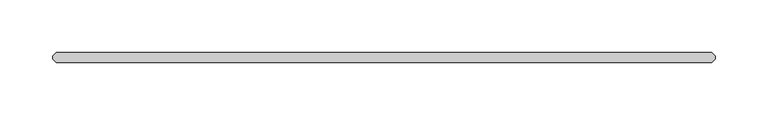
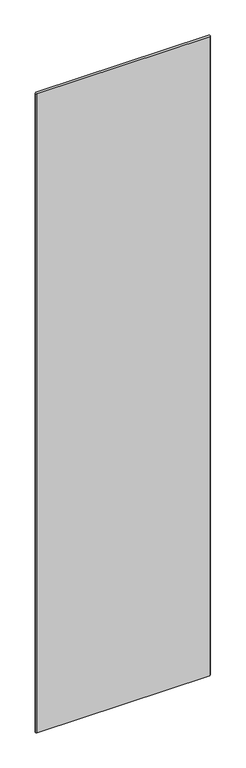
"""IFC4 building model written with IfcOpenShell, lengths in millimetres: plate geometry."""

import ifcopenshell
import ifcopenshell.guid

model = None  # the IFC model being written
_history = None  # IfcOwnerHistory: only IFC2X3 demands one
_inside = {}  # id of a spatial element -> (the spatial element, [elements in it])
_under = {}  # id of a project, library or spatial element -> (it, [spatial elements below it])
_declared = {}  # id of a project -> (the project, [libraries it declares])
_typed = {}  # id of a type object -> (the type object, [elements of that type])
_made_of = {}  # id of a material, layer set ... -> (it, [elements and type objects made of it])


def new_model(schema):
    """Start an empty IFC model of exactly this schema.

    Asked for "IFC4X3", IfcOpenShell would pick the latest addendum, in which some entities
    have other attributes; the version numbers below select the first issue.
    IFC2X3 requires an IfcOwnerHistory on every rooted entity: one is made here for all.
    """
    global model, _history
    if schema == "IFC4X3":
        model = ifcopenshell.file(schema_version=(4, 3, 0, 0))
    else:
        model = ifcopenshell.file(schema=schema)
    _inside.clear()
    _under.clear()
    _declared.clear()
    _typed.clear()
    _made_of.clear()
    _history = None
    if model.schema == "IFC2X3":
        org = make("IfcOrganization", Name="unknown")
        user = make(
            "IfcPersonAndOrganization",
            ThePerson=make("IfcPerson", FamilyName="unknown"),
            TheOrganization=org,
        )
        app = make(
            "IfcApplication",
            ApplicationDeveloper=org,
            Version="unknown",
            ApplicationFullName="unknown",
            ApplicationIdentifier="unknown",
        )
        _history = make(
            "IfcOwnerHistory",
            OwningUser=user,
            OwningApplication=app,
            ChangeAction="ADDED",
            CreationDate=0,
        )
    return model


def make(cls, **values):
    """One entity of the class cls with the attributes given. An attribute that is None is left unset."""
    return model.create_entity(
        cls, **{name: value for name, value in values.items() if value is not None}
    )


def rooted(cls, **values):
    """An entity with a GlobalId (a new one), such as an element, a storey or a relation."""
    return make(cls, GlobalId=ifcopenshell.guid.new(), OwnerHistory=_history, **values)


def si_unit(unit_type, name, prefix=None):
    """IfcSIUnit, for example si_unit("LENGTHUNIT", "METRE", prefix="MILLI")."""
    return make("IfcSIUnit", UnitType=unit_type, Prefix=prefix, Name=name)


def assignment(units):
    """IfcUnitAssignment: the units of a project."""
    return None if units is None else make("IfcUnitAssignment", Units=units)


def point(xyz):
    """IfcCartesianPoint."""
    return None if xyz is None else make("IfcCartesianPoint", Coordinates=xyz)


def direction(xyz):
    """IfcDirection."""
    return None if xyz is None else make("IfcDirection", DirectionRatios=xyz)


def frame(location, z_axis=None, x_axis=None):
    """IfcAxis2Placement3D, a coordinate frame: its origin and axes. An axis left out is left unset."""
    return make(
        "IfcAxis2Placement3D",
        Location=point(location),
        Axis=direction(z_axis),
        RefDirection=direction(x_axis),
    )


def origin():
    """The frame at (0, 0, 0) with its axes left unset."""
    return frame((0.0, 0.0, 0.0))


def origin_with_axes():
    """The frame at (0, 0, 0) with the z axis (0, 0, 1) and the x axis (1, 0, 0) written out."""
    return frame((0.0, 0.0, 0.0), z_axis=(0.0, 0.0, 1.0), x_axis=(1.0, 0.0, 0.0))


def place(relative_to, where):
    """IfcLocalPlacement: puts the frame where relative to a parent placement (None: the world)."""
    return make(
        "IfcLocalPlacement", PlacementRelTo=relative_to, RelativePlacement=where
    )


def context(
    kind, dimensions, precision=None, world=None, true_north=None, identifier=None
):
    """IfcGeometricRepresentationContext, for example the 3D "Model" context."""
    return make(
        "IfcGeometricRepresentationContext",
        ContextIdentifier=identifier,
        ContextType=kind,
        CoordinateSpaceDimension=dimensions,
        Precision=precision,
        WorldCoordinateSystem=world,
        TrueNorth=true_north,
    )


def project(units=None, contexts=None):
    """IfcProject with its units and contexts."""
    return rooted(
        "IfcProject",
        Name="project",
        RepresentationContexts=contexts,
        UnitsInContext=assignment(units),
    )


def spatial(cls, under=None, at=None, **own):
    """A site, building, storey or space (cls), placed at a placement, below another one or the project."""
    s = rooted(cls, ObjectPlacement=at, **own)
    if under is not None:
        _under.setdefault(under.id(), (under, []))[1].append(s)
    return s


def polyline(points):
    """IfcPolyline through the points."""
    return make("IfcPolyline", Points=[point(p) for p in points])


def outline(outer, holes=None, kind="AREA"):
    """IfcArbitraryClosedProfileDef: a profile drawn as a closed curve; with holes, ...WithVoids."""
    if holes is None:
        return make("IfcArbitraryClosedProfileDef", ProfileType=kind, OuterCurve=outer)
    return make(
        "IfcArbitraryProfileDefWithVoids",
        ProfileType=kind,
        OuterCurve=outer,
        InnerCurves=holes,
    )


def extrude(swept, where, along, depth):
    """IfcExtrudedAreaSolid: the profile swept, set in the frame where, extruded along a direction by depth."""
    return make(
        "IfcExtrudedAreaSolid",
        SweptArea=swept,
        Position=where,
        ExtrudedDirection=direction(along),
        Depth=depth,
    )


def shape(context_of_items, identifier, shape_type, items):
    """IfcShapeRepresentation: the items that make up one representation, for example the "Body"."""
    return make(
        "IfcShapeRepresentation",
        ContextOfItems=context_of_items,
        RepresentationIdentifier=identifier,
        RepresentationType=shape_type,
        Items=items,
    )


def source(mapping_origin, context_of_items, identifier, shape_type, items):
    """IfcRepresentationMap: a shape defined once, which mapped items show again and again."""
    return make(
        "IfcRepresentationMap",
        MappingOrigin=mapping_origin,
        MappedRepresentation=shape(context_of_items, identifier, shape_type, items),
    )


def transform(
    local_origin,
    x_axis=None,
    y_axis=None,
    z_axis=None,
    scale=None,
    scale2=None,
    scale3=None,
    uniform=True,
):
    """IfcCartesianTransformationOperator3D, or its non-uniform kind. x_axis, y_axis, z_axis: its Axis1, 2, 3."""
    if uniform:
        return make(
            "IfcCartesianTransformationOperator3D",
            Axis1=direction(x_axis),
            Axis2=direction(y_axis),
            LocalOrigin=point(local_origin),
            Scale=scale,
            Axis3=direction(z_axis),
        )
    return make(
        "IfcCartesianTransformationOperator3DnonUniform",
        Axis1=direction(x_axis),
        Axis2=direction(y_axis),
        LocalOrigin=point(local_origin),
        Scale=scale,
        Axis3=direction(z_axis),
        Scale2=scale2,
        Scale3=scale3,
    )


def mapped(mapping_source, mapping_target):
    """IfcMappedItem: shows the shape of a source again, moved by a transform."""
    return make(
        "IfcMappedItem", MappingSource=mapping_source, MappingTarget=mapping_target
    )


def made_of(thing, what):
    """Note that an element or type object is made of a material, layer set ...; save() writes the relation."""
    if what is not None:
        _made_of.setdefault(what.id(), (what, []))[1].append(thing)
    return thing


def element(
    cls,
    number,
    at=None,
    inside=None,
    cuts=None,
    type_object=None,
    material=None,
    context=None,
    identifier="Body",
    shape_type=None,
    held_by="IfcProductDefinitionShape",
    body=None,
    shapes=None,
    **own,
):
    """One element of the class cls, such as IfcWall. Its Tag is "e" and its number.

    at: its placement. inside: the storey or other place that contains it. cuts: it is an
    opening in that element (IfcRelVoidsElement). A single representation is given by context,
    identifier, shape_type and body (its items); several are given by shapes. held_by: the class
    of the entity that holds the representations. save() writes the other relations.
    """
    e = rooted(cls, Tag="e%d" % number, ObjectPlacement=at, **own)
    if body is not None:
        shapes = [shape(context, identifier, shape_type, body)]
    if shapes is not None:
        e.Representation = make(held_by, Representations=shapes)
    if inside is not None:
        _inside.setdefault(inside.id(), (inside, []))[1].append(e)
    if cuts is not None:
        rooted(
            "IfcRelVoidsElement", RelatingBuildingElement=cuts, RelatedOpeningElement=e
        )
    if type_object is not None:
        _typed.setdefault(type_object.id(), (type_object, []))[1].append(e)
    return made_of(e, material)


def aggregate(whole, parts):
    """IfcRelAggregates: a whole, such as a stair, and the parts it consists of."""
    return rooted("IfcRelAggregates", RelatingObject=whole, RelatedObjects=parts)


def save(model, path):
    """Write the relations noted so far, then the file.

    IfcRelAggregates (storeys below a building ...), IfcRelContainedInSpatialStructure (elements
    in a storey), IfcRelDefinesByType, IfcRelAssociatesMaterial and IfcRelDeclares: one each for
    every whole, place, type object, material and project.
    """
    for whole, parts in _under.values():
        aggregate(whole, parts)
    for where, things in _inside.values():
        rooted(
            "IfcRelContainedInSpatialStructure",
            RelatedElements=things,
            RelatingStructure=where,
        )
    for kind, things in _typed.values():
        rooted("IfcRelDefinesByType", RelatedObjects=things, RelatingType=kind)
    for what, things in _made_of.values():
        rooted("IfcRelAssociatesMaterial", RelatedObjects=things, RelatingMaterial=what)
    for by, libraries in _declared.values():
        rooted("IfcRelDeclares", RelatingContext=by, RelatedDefinitions=libraries)
    model.write(path)


def plate_f5dfb654(model_context):
    return source(origin(), model_context, "Body", "SweptSolid", [
        extrude(outline(polyline([(310.753125, 4.7625), (313.928125, 1.5875), (313.928125, -1.5875), (310.753125, -4.7625), (-310.753125, -4.7625), (-313.928125, -1.5875), (-313.928125, 1.5875), (-310.753125, 4.7625), (310.753125, 4.7625)])), origin_with_axes(), (0.0, 0.0, 1.0), 2427.1914267),
    ])


if __name__ == "__main__":
    model = new_model("IFC4")
    model_context = context("Model", 3, world=origin())
    ifc_project = project(units=[si_unit("LENGTHUNIT", "METRE", prefix="MILLI")], contexts=[model_context])
    site = spatial("IfcSite", under=ifc_project)
    building = spatial("IfcBuilding", under=site)
    placement = place(None, origin())
    plate_shape = plate_f5dfb654(model_context)
    element("IfcPlate", 1, at=placement, inside=building, context=model_context, shape_type="MappedRepresentation", body=[
        mapped(plate_shape, transform((0.0, 0.0, 0.0), x_axis=(1.0, 0.0, 0.0), y_axis=(0.0, 1.0, 0.0), z_axis=(0.0, 0.0, 1.0))),
    ])
    save(model, "model.ifc")
